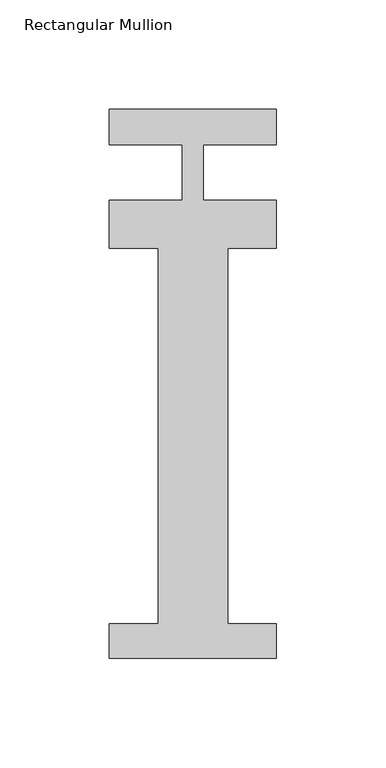
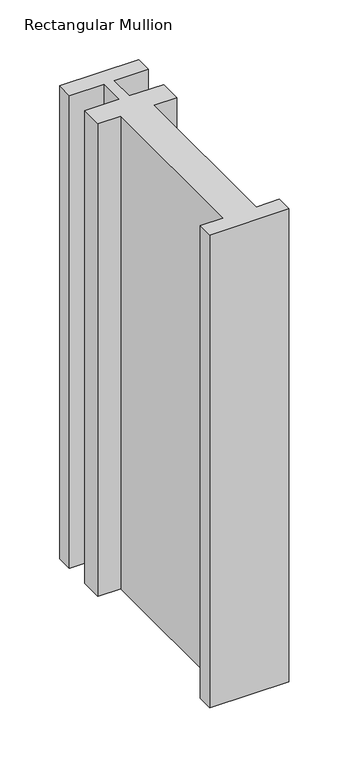
"""IFC4 building model written with IfcOpenShell, lengths in millimetres: member geometry, Rectangular Mullion."""

from ifc_helpers import new_model, si_unit, frame, origin, place, context, project, spatial, polyline, outline, extrude, source, transform, mapped, element, save


def rectangular_mullion_18d6766b(model_context):
    return source(origin(), model_context, "Body", "SweptSolid", [
        extrude(outline(polyline([(38.1, -221.996), (-38.1, -221.996), (-38.1, -206.121), (-15.875, -206.121), (-15.875, -34.671), (-38.1, -34.671), (-38.1, -12.7), (-4.7625, -12.7), (-4.7625, 12.7), (-38.1, 12.7), (-38.1, 28.830618), (38.1, 28.830618), (38.1, 12.7), (4.7625, 12.7), (4.7625, -12.7), (38.1, -12.7), (38.1, -34.671), (15.875, -34.671), (15.875, -206.121), (38.1, -206.121), (38.1, -221.996)])), frame((0.0, 0.0, -482.6), z_axis=(0.0, 0.0, 1.0), x_axis=(1.0, 0.0, 0.0)), (0.0, 0.0, 1.0), 482.6),
    ])


if __name__ == "__main__":
    model = new_model("IFC4")
    model_context = context("Model", 3, world=origin())
    ifc_project = project(units=[si_unit("LENGTHUNIT", "METRE", prefix="MILLI")], contexts=[model_context])
    site = spatial("IfcSite", under=ifc_project)
    building = spatial("IfcBuilding", under=site)
    placement = place(None, origin())
    rectangular_mullion_shape = rectangular_mullion_18d6766b(model_context)
    element("IfcMember", 1, ObjectType="Rectangular Mullion", at=placement, inside=building, context=model_context, shape_type="MappedRepresentation", body=[
        mapped(rectangular_mullion_shape, transform((0.0, 0.0, 0.0), x_axis=(1.0, 0.0, 0.0), y_axis=(0.0, 1.0, 0.0), z_axis=(0.0, 0.0, 1.0))),
    ])
    save(model, "model.ifc")
